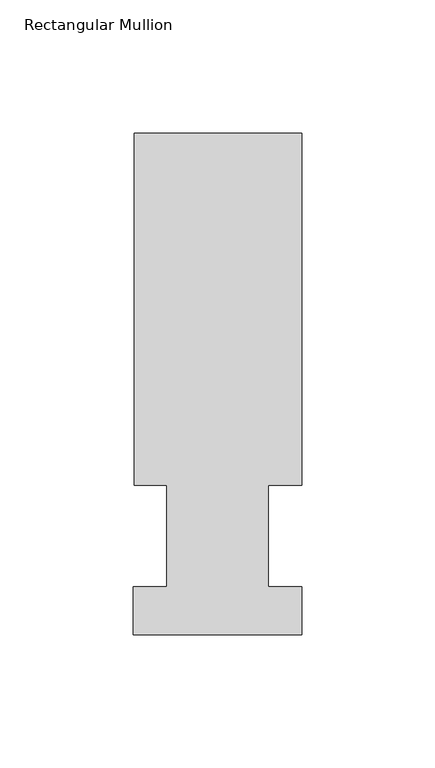
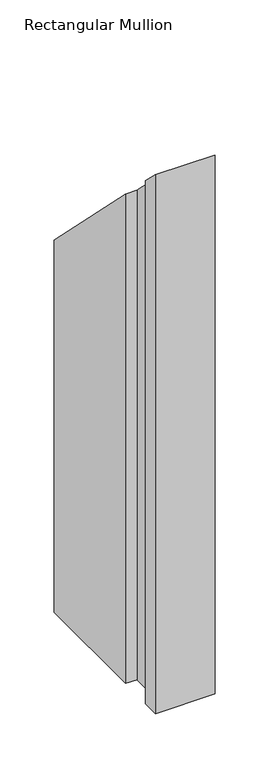
"""IFC4 building model written with IfcOpenShell, lengths in millimetres: member geometry, Rectangular Mullion."""

from ifc_helpers import new_model, si_unit, origin, place, context, project, spatial, faceted_brep, source, transform, mapped, element, save


def rectangular_mullion_e05c92fa(model_context):
    return source(origin(), model_context, "Body", "Brep", [
        faceted_brep([(-63.0936, 189.0895062, -610.5919115), (0.0, 189.0895062, -610.5919115), (0.0, 56.6539062, -610.5919115), (-12.6746, 56.6539062, -610.5919115), (-12.6746, 18.5539063, -610.5919115), (0.0, 18.5539062, -610.5919115), (0.0, 0.5199062, -610.5919115), (-63.5, 0.5199062, -610.5919115), (-63.5, 18.5539063, -610.5919115), (-50.8, 18.5539063, -610.5919115), (-50.8, 56.6539062, -610.5919115), (-63.0936, 56.6539062, -610.5919115), (-63.0936, 56.6539062, -56.6539062), (-63.0936, 189.0895062, -189.0895062), (-50.8, 56.6539062, -56.6539062), (-50.8, 18.5539063, -18.5539062), (-63.5, 18.5539063, -18.5539062), (-63.5, 0.5199062, -0.5199062), (0.0, 0.5199062, -0.5199062), (0.0, 18.5539062, -18.5539062), (-12.6746, 18.5539062, -18.5539062), (-12.6746, 56.6539062, -56.6539062), (0.0, 56.6539062, -56.6539062), (0.0, 189.0895062, -189.0895062)], [[[0, 1, 2, 3, 4, 5, 6, 7, 8, 9, 10, 11]], [[12, 13, 0, 11]], [[14, 12, 11, 10]], [[15, 14, 10, 9]], [[16, 15, 9, 8]], [[17, 16, 8, 7]], [[18, 17, 7, 6]], [[19, 18, 6, 5]], [[20, 19, 5, 4]], [[21, 20, 4, 3]], [[22, 21, 3, 2]], [[23, 22, 2, 1]], [[13, 23, 1, 0]], [[13, 12, 14, 15, 16, 17, 18, 19, 20, 21, 22, 23]]]),
    ])


if __name__ == "__main__":
    model = new_model("IFC4")
    model_context = context("Model", 3, world=origin())
    ifc_project = project(units=[si_unit("LENGTHUNIT", "METRE", prefix="MILLI")], contexts=[model_context])
    site = spatial("IfcSite", under=ifc_project)
    building = spatial("IfcBuilding", under=site)
    placement = place(None, origin())
    rectangular_mullion_shape = rectangular_mullion_e05c92fa(model_context)
    element("IfcMember", 1, ObjectType="Rectangular Mullion", at=placement, inside=building, context=model_context, shape_type="MappedRepresentation", body=[
        mapped(rectangular_mullion_shape, transform((0.0, 0.0, 0.0), x_axis=(1.0, 0.0, 0.0), y_axis=(0.0, 1.0, 0.0), z_axis=(0.0, 0.0, 1.0))),
    ])
    save(model, "model.ifc")
